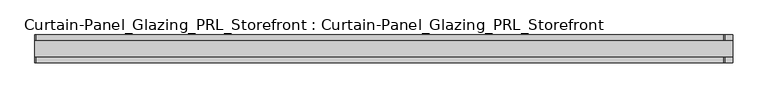
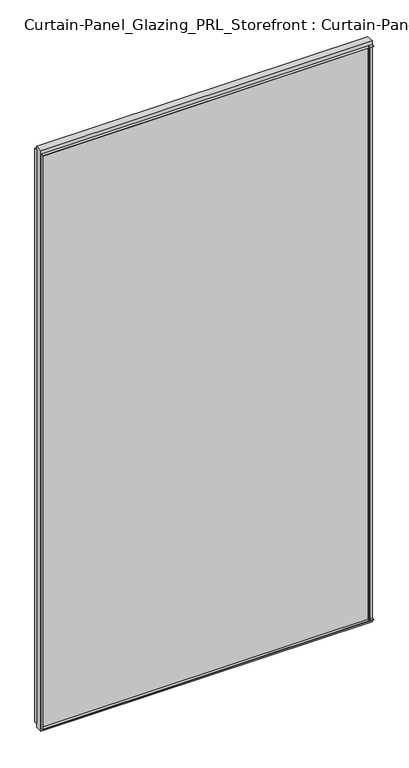
"""IFC4 building model written with IfcOpenShell, lengths in millimetres: plate geometry, Curtain-Panel_Glazing_PRL_Storefront : Curtain-Panel_Glazing_PRL_Storefront."""

from ifc_helpers import new_model, si_unit, frame, origin, origin_with_axes, place, context, project, spatial, polyline, outline, extrude, source, transform, mapped, element, save


def curtain_panel_glazing_prl_storefront_curtain_panel_glazing_afdca524(model_context):
    return source(origin(), model_context, "Body", "SweptSolid", [
        extrude(outline(polyline([(574.675, -22.225), (573.0875, -22.225), (573.0875, -12.7), (574.675, -12.7), (574.675, -22.225)])), frame((0.0, 0.0, 12.7), z_axis=(0.0, 0.0, 1.0), x_axis=(1.0, 0.0, 0.0)), (0.0, 0.0, 1.0), 2047.08125),
        extrude(outline(polyline([(574.675, 22.225), (574.675, 12.7), (573.0875, 12.7), (573.0875, 22.225), (574.675, 22.225)])), frame((0.0, 0.0, 12.7), z_axis=(0.0, 0.0, 1.0), x_axis=(1.0, 0.0, 0.0)), (0.0, 0.0, 1.0), 2047.08125),
        extrude(outline(polyline([(-530.225, -22.225), (-530.225, -12.7), (-528.6375, -12.7), (-528.6375, -22.225), (-530.225, -22.225)])), frame((0.0, 0.0, 12.7), z_axis=(0.0, 0.0, 1.0), x_axis=(1.0, 0.0, 0.0)), (0.0, 0.0, 1.0), 2047.08125),
        extrude(outline(polyline([(-530.225, 22.225), (-528.6375, 22.225), (-528.6375, 12.7), (-530.225, 12.7), (-530.225, 22.225)])), frame((0.0, 0.0, 12.7), z_axis=(0.0, 0.0, 1.0), x_axis=(1.0, 0.0, 0.0)), (0.0, 0.0, 1.0), 2047.08125),
        extrude(outline(polyline([(587.375, 12.7), (587.375, -12.7), (-530.225, -12.7), (-530.225, 12.7), (587.375, 12.7)])), origin_with_axes(), (0.0, 0.0, 1.0), 2072.48125),
        extrude(outline(polyline([(-530.225, -22.225), (-530.225, -12.7), (587.375, -12.7), (587.375, -22.225), (-530.225, -22.225)])), frame((0.0, 0.0, 2058.19375), z_axis=(0.0, 0.0, 1.0), x_axis=(1.0, 0.0, 0.0)), (0.0, 0.0, 1.0), 1.5875),
        extrude(outline(polyline([(-530.225, 22.225), (587.375, 22.225), (587.375, 12.7), (-530.225, 12.7), (-530.225, 22.225)])), frame((0.0, 0.0, 2058.19375), z_axis=(0.0, 0.0, 1.0), x_axis=(1.0, 0.0, 0.0)), (0.0, 0.0, 1.0), 1.5875),
        extrude(outline(polyline([(-530.225, -22.225), (-530.225, -12.7), (587.375, -12.7), (587.375, -22.225), (-530.225, -22.225)])), frame((0.0, 0.0, 12.7), z_axis=(0.0, 0.0, 1.0), x_axis=(1.0, 0.0, 0.0)), (0.0, 0.0, 1.0), 1.5875),
        extrude(outline(polyline([(-530.225, 22.225), (587.375, 22.225), (587.375, 12.7), (-530.225, 12.7), (-530.225, 22.225)])), frame((0.0, 0.0, 12.7), z_axis=(0.0, 0.0, 1.0), x_axis=(1.0, 0.0, 0.0)), (0.0, 0.0, 1.0), 1.5875),
    ])


if __name__ == "__main__":
    model = new_model("IFC4")
    model_context = context("Model", 3, world=origin())
    ifc_project = project(units=[si_unit("LENGTHUNIT", "METRE", prefix="MILLI")], contexts=[model_context])
    site = spatial("IfcSite", under=ifc_project)
    building = spatial("IfcBuilding", under=site)
    placement = place(None, origin())
    curtain_panel_glazing_prl_storefront_curtain_panel_glazing_shape = curtain_panel_glazing_prl_storefront_curtain_panel_glazing_afdca524(model_context)
    element("IfcPlate", 1, ObjectType="Curtain-Panel_Glazing_PRL_Storefront : Curtain-Panel_Glazing_PRL_Storefront", at=placement, inside=building, context=model_context, shape_type="MappedRepresentation", body=[
        mapped(curtain_panel_glazing_prl_storefront_curtain_panel_glazing_shape, transform((0.0, 0.0, 0.0), x_axis=(1.0, 0.0, 0.0), y_axis=(0.0, 1.0, 0.0), z_axis=(0.0, 0.0, 1.0))),
    ])
    save(model, "model.ifc")
